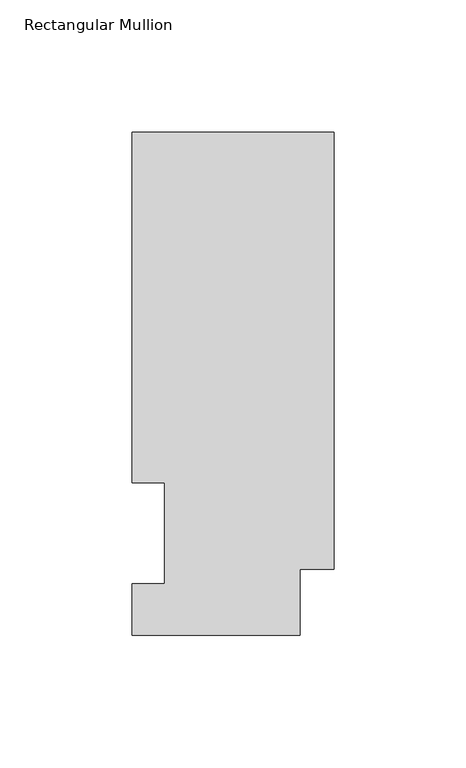
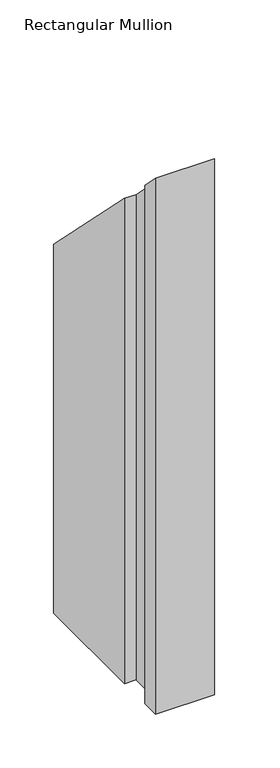
"""IFC4 building model written with IfcOpenShell, lengths in millimetres: member geometry, Rectangular Mullion."""

from ifc_helpers import new_model, si_unit, origin, place, context, project, spatial, faceted_brep, source, transform, mapped, element, save


def rectangular_mullion_cced415c(model_context):
    return source(origin(), model_context, "Body", "Brep", [
        faceted_brep([(-76.2, 190.0816937, -609.6), (0.0, 190.0816937, -609.6), (0.0, 25.0832937, -609.6), (-12.7, 25.0832937, -609.6), (-12.7, 0.0134937, -609.6), (-76.2, 0.0134937, -609.6), (-76.2, 19.5460937, -609.6), (-63.8581605, 19.5460937, -609.6), (-63.8581605, 57.6460937, -609.6), (-76.2, 57.6460937, -609.6), (-76.2, 57.6460937, -57.6460937), (-76.2, 190.0816937, -190.0816937), (-63.8581605, 57.6460937, -57.6460937), (-63.8581605, 19.5460937, -19.5460937), (-76.2, 19.5460937, -19.5460937), (-76.2, 0.0134937, -0.0134937), (-12.7, 0.0134937, -0.0134937), (-12.7, 25.0832937, -25.0832937), (0.0, 25.0832937, -25.0832937), (0.0, 190.0816937, -190.0816937)], [[[0, 1, 2, 3, 4, 5, 6, 7, 8, 9]], [[10, 11, 0, 9]], [[12, 10, 9, 8]], [[13, 12, 8, 7]], [[14, 13, 7, 6]], [[15, 14, 6, 5]], [[16, 15, 5, 4]], [[17, 16, 4, 3]], [[18, 17, 3, 2]], [[19, 18, 2, 1]], [[11, 19, 1, 0]], [[11, 10, 12, 13, 14, 15, 16, 17, 18, 19]]]),
    ])


if __name__ == "__main__":
    model = new_model("IFC4")
    model_context = context("Model", 3, world=origin())
    ifc_project = project(units=[si_unit("LENGTHUNIT", "METRE", prefix="MILLI")], contexts=[model_context])
    site = spatial("IfcSite", under=ifc_project)
    building = spatial("IfcBuilding", under=site)
    placement = place(None, origin())
    rectangular_mullion_shape = rectangular_mullion_cced415c(model_context)
    element("IfcMember", 1, ObjectType="Rectangular Mullion", at=placement, inside=building, context=model_context, shape_type="MappedRepresentation", body=[
        mapped(rectangular_mullion_shape, transform((0.0, 0.0, 0.0), x_axis=(1.0, 0.0, 0.0), y_axis=(0.0, 1.0, 0.0), z_axis=(0.0, 0.0, 1.0))),
    ])
    save(model, "model.ifc")
